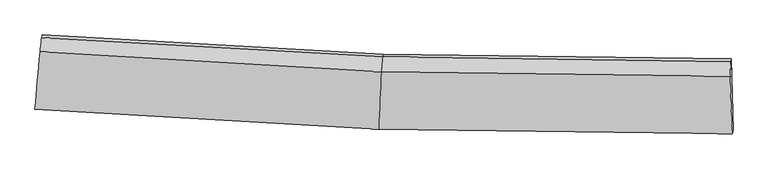
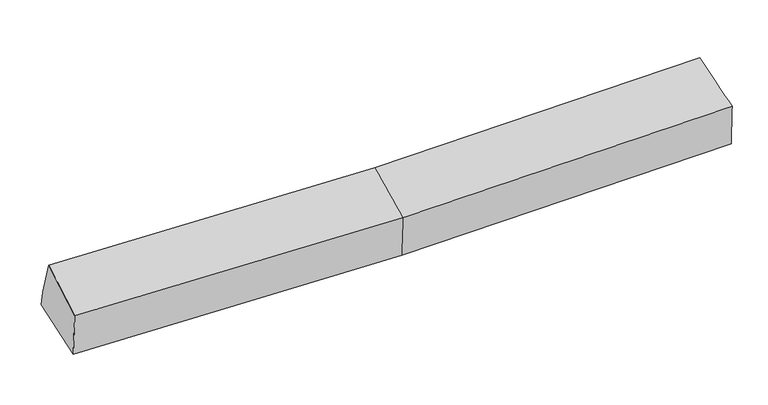
"""IFC4 building model written with IfcOpenShell, lengths in millimetres: proxy geometry."""

from ifc_helpers import new_model, si_unit, frame, origin, place, context, project, spatial, source, transform, mapped, element, save
from ifc_brep_helpers import plane_surface, spline_surface, advanced_brep


def generic_models_a4b711b7(model_context):
    return source(origin(), model_context, "Body", "AdvancedBrep", [
        advanced_brep(
        [(-3288.3210441, -1845.539267, 2111.4776958), (-3281.6050967, -1807.4670795, 1671.0022432), (-46.8859235, -1996.6068706, 1722.2663873), (-54.5951196, -2032.1903209, 2147.9237724), (-3221.3617664, -1143.9919227, 1779.6137411), (-13.5477051, -1326.2490018, 1831.3942524), (-3224.7532357, -1168.7263186, 1932.5899079), (-17.0485766, -1351.7812814, 1989.3051342), (-3239.9289589, -1303.5766198, 2312.3126905), (-29.1035132, -1488.5798578, 2348.5174973), (3260.6036638, -1395.0490632, 2049.9083946), (3254.3538105, -1531.9351673, 2409.2353038), (3271.3425987, -2076.1861398, 2209.4798032), (3281.5030949, -2040.6396496, 1783.8707872), (3264.1045353, -1369.5167836, 1891.9975128)],
        [
            (0, 1),
            (1, 2),
            (2, 3),
            (3, 0),
            (1, 4),
            (4, 5),
            (5, 1),
            (4, 6),
            (6, 7),
            (7, 5),
            (6, 8),
            (8, 9),
            (9, 7),
            (8, 0),
            (3, 9),
            (10, 11),
            (11, 12),
            (12, 13),
            (13, 14),
            (14, 10),
            (5, 2),
            (9, 11),
            (10, 7),
            (3, 12),
            (2, 13),
            (5, 14),
        ],
        [
            spline_surface(1, 1, [[(-3288.3210441, -1845.539267, 2111.4776958), (-54.5951196, -2032.1903209, 2147.9237724)], [(-3281.6050967, -1807.4670795, 1671.0022432), (-46.8859235, -1996.6068706, 1722.2663873)]], [2, 2], [2, 2], [0.0, 1.0], [0.0, 1.0]),
            plane_surface(frame((-3251.4834316, -1475.7295011, 1725.3079921), z_axis=(0.02498114112496369, 0.1592907192809855, -0.9869156039596502), x_axis=(0.08924937821628652, 0.9829261581993918, 0.1609059228723125))),
            plane_surface(frame((-3223.0575011, -1156.3591207, 1856.1018245), z_axis=(0.053406038336872935, 0.9855832857327801, 0.16054090429961318), x_axis=(-0.021880447038338954, -0.15957674791202514, 0.9869430113047178))),
            spline_surface(1, 1, [[(-3224.7532357, -1168.7263186, 1932.5899079), (-17.0485766, -1351.7812814, 1989.3051342)], [(-3239.9289589, -1303.5766198, 2312.3126905), (-29.1035132, -1488.5798578, 2348.5174973)]], [2, 2], [2, 2], [0.0, 1.0], [0.0, 1.0]),
            spline_surface(1, 1, [[(-3239.9289589, -1303.5766198, 2312.3126905), (-29.1035132, -1488.5798578, 2348.5174973)], [(-3288.3210441, -1845.539267, 2111.4776958), (-54.5951196, -2032.1903209, 2147.9237724)]], [2, 2], [2, 2], [0.0, 1.0], [0.0, 1.0]),
            plane_surface(frame((3266.3815406, -1682.6653607, 2068.8983603), z_axis=(0.9994331376593097, 0.021772831923102656, 0.025677755714153077), x_axis=(-0.01625161260226049, -0.35594754621825175, 0.9343646126802062))),
            plane_surface(frame((-3251.1940204, -1453.8602415, 1961.3992557), z_axis=(-0.9957689463552322, 0.09160474361741347, -0.0072647382181969325), x_axis=(0.08343462964511518, 0.9344183572557616, 0.3462672323501409))),
            plane_surface(frame((-3281.6050967, -1807.4670795, 1671.0022432), z_axis=(0.02496175007550933, 0.15941583806059678, -0.9868958919808135), x_axis=(0.049026791871275545, 0.985820395287149, 0.16048215450541517))),
            spline_surface(1, 1, [[(-17.0485766, -1351.7812814, 1989.3051342), (3260.6036638, -1395.0490632, 2049.9083946)], [(-29.1035132, -1488.5798578, 2348.5174973), (3254.3538105, -1531.9351673, 2409.2353038)]], [2, 2], [2, 2], [0.0, 1.0], [0.0, 1.0]),
            spline_surface(1, 1, [[(-29.1035132, -1488.5798578, 2348.5174973), (3254.3538105, -1531.9351673, 2409.2353038)], [(-54.5951196, -2032.1903209, 2147.9237724), (3271.3425987, -2076.1861398, 2209.4798032)]], [2, 2], [2, 2], [0.0, 1.0], [0.0, 1.0]),
            spline_surface(1, 1, [[(-54.5951196, -2032.1903209, 2147.9237724), (3271.3425987, -2076.1861398, 2209.4798032)], [(-46.8859235, -1996.6068706, 1722.2663873), (3281.5030949, -2040.6396496, 1783.8707872)]], [2, 2], [2, 2], [0.0, 1.0], [0.0, 1.0]),
            spline_surface(1, 1, [[(-46.8859235, -1996.6068706, 1722.2663873), (3281.5030949, -2040.6396496, 1783.8707872)], [(-13.5477051, -1326.2490018, 1831.3942524), (3264.1045353, -1369.5167836, 1891.9975128)]], [2, 2], [2, 2], [0.0, 1.0], [0.0, 1.0]),
            plane_surface(frame((-15.2981408, -1339.0151416, 1910.3496933), z_axis=(0.010075346145925531, 0.9870940207279183, 0.1598245339215222), x_axis=(-0.021880447038391294, -0.15957674791199972, 0.9869430113047208))),
        ],
        [
            (0, [[1, 2, 3, 4]]),
            (1, [[5, 6, 7]]),
            (2, [[8, 9, 10, -6]]),
            (3, [[11, 12, 13, -9]]),
            (4, [[14, -4, 15, -12]]),
            (5, [[16, 17, 18, 19, 20]]),
            (6, [[-14, -11, -8, -5, -1]]),
            (7, [[21, -2, -7]]),
            (8, [[-13, 22, -16, 23]]),
            (9, [[-15, 24, -17, -22]]),
            (10, [[-3, 25, -18, -24]]),
            (11, [[-21, 26, -19, -25]]),
            (12, [[-10, -23, -20, -26]]),
        ],
    ),
    ])


if __name__ == "__main__":
    model = new_model("IFC4")
    model_context = context("Model", 3, world=origin())
    ifc_project = project(units=[si_unit("LENGTHUNIT", "METRE", prefix="MILLI")], contexts=[model_context])
    site = spatial("IfcSite", under=ifc_project)
    building = spatial("IfcBuilding", under=site)
    placement = place(None, origin())
    generic_models_shape = generic_models_a4b711b7(model_context)
    element("IfcBuildingElementProxy", 1, Name="Generic Models", at=placement, inside=building, context=model_context, shape_type="MappedRepresentation", body=[
        mapped(generic_models_shape, transform((0.0, 0.0, 0.0), x_axis=(1.0, 0.0, 0.0), y_axis=(0.0, 1.0, 0.0), z_axis=(0.0, 0.0, 1.0))),
    ])
    save(model, "model.ifc")
